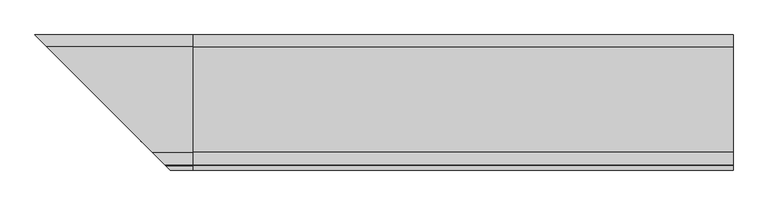
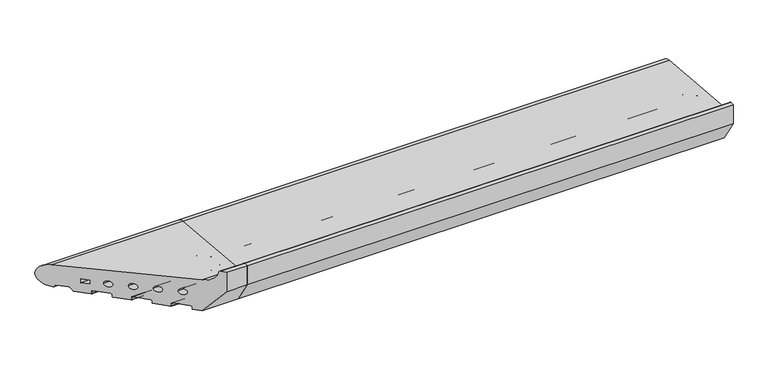
"""IFC4 building model written with IfcOpenShell, lengths in millimetres: proxy geometry."""

import ifcopenshell
import ifcopenshell.guid

model = None  # the IFC model being written
_history = None  # IfcOwnerHistory: only IFC2X3 demands one
_inside = {}  # id of a spatial element -> (the spatial element, [elements in it])
_under = {}  # id of a project, library or spatial element -> (it, [spatial elements below it])
_declared = {}  # id of a project -> (the project, [libraries it declares])
_typed = {}  # id of a type object -> (the type object, [elements of that type])
_made_of = {}  # id of a material, layer set ... -> (it, [elements and type objects made of it])


def new_model(schema):
    """Start an empty IFC model of exactly this schema.

    Asked for "IFC4X3", IfcOpenShell would pick the latest addendum, in which some entities
    have other attributes; the version numbers below select the first issue.
    IFC2X3 requires an IfcOwnerHistory on every rooted entity: one is made here for all.
    """
    global model, _history
    if schema == "IFC4X3":
        model = ifcopenshell.file(schema_version=(4, 3, 0, 0))
    else:
        model = ifcopenshell.file(schema=schema)
    _inside.clear()
    _under.clear()
    _declared.clear()
    _typed.clear()
    _made_of.clear()
    _history = None
    if model.schema == "IFC2X3":
        org = make("IfcOrganization", Name="unknown")
        user = make(
            "IfcPersonAndOrganization",
            ThePerson=make("IfcPerson", FamilyName="unknown"),
            TheOrganization=org,
        )
        app = make(
            "IfcApplication",
            ApplicationDeveloper=org,
            Version="unknown",
            ApplicationFullName="unknown",
            ApplicationIdentifier="unknown",
        )
        _history = make(
            "IfcOwnerHistory",
            OwningUser=user,
            OwningApplication=app,
            ChangeAction="ADDED",
            CreationDate=0,
        )
    return model


def make(cls, **values):
    """One entity of the class cls with the attributes given. An attribute that is None is left unset."""
    return model.create_entity(
        cls, **{name: value for name, value in values.items() if value is not None}
    )


def rooted(cls, **values):
    """An entity with a GlobalId (a new one), such as an element, a storey or a relation."""
    return make(cls, GlobalId=ifcopenshell.guid.new(), OwnerHistory=_history, **values)


def si_unit(unit_type, name, prefix=None):
    """IfcSIUnit, for example si_unit("LENGTHUNIT", "METRE", prefix="MILLI")."""
    return make("IfcSIUnit", UnitType=unit_type, Prefix=prefix, Name=name)


def assignment(units):
    """IfcUnitAssignment: the units of a project."""
    return None if units is None else make("IfcUnitAssignment", Units=units)


def point(xyz):
    """IfcCartesianPoint."""
    return None if xyz is None else make("IfcCartesianPoint", Coordinates=xyz)


def direction(xyz):
    """IfcDirection."""
    return None if xyz is None else make("IfcDirection", DirectionRatios=xyz)


def frame(location, z_axis=None, x_axis=None):
    """IfcAxis2Placement3D, a coordinate frame: its origin and axes. An axis left out is left unset."""
    return make(
        "IfcAxis2Placement3D",
        Location=point(location),
        Axis=direction(z_axis),
        RefDirection=direction(x_axis),
    )


def frame_2d(location, x_axis=None):
    """IfcAxis2Placement2D, a coordinate frame in the plane: its origin and x axis."""
    return make(
        "IfcAxis2Placement2D", Location=point(location), RefDirection=direction(x_axis)
    )


def origin():
    """The frame at (0, 0, 0) with its axes left unset."""
    return frame((0.0, 0.0, 0.0))


def place(relative_to, where):
    """IfcLocalPlacement: puts the frame where relative to a parent placement (None: the world)."""
    return make(
        "IfcLocalPlacement", PlacementRelTo=relative_to, RelativePlacement=where
    )


def context(
    kind, dimensions, precision=None, world=None, true_north=None, identifier=None
):
    """IfcGeometricRepresentationContext, for example the 3D "Model" context."""
    return make(
        "IfcGeometricRepresentationContext",
        ContextIdentifier=identifier,
        ContextType=kind,
        CoordinateSpaceDimension=dimensions,
        Precision=precision,
        WorldCoordinateSystem=world,
        TrueNorth=true_north,
    )


def project(units=None, contexts=None):
    """IfcProject with its units and contexts."""
    return rooted(
        "IfcProject",
        Name="project",
        RepresentationContexts=contexts,
        UnitsInContext=assignment(units),
    )


def spatial(cls, under=None, at=None, **own):
    """A site, building, storey or space (cls), placed at a placement, below another one or the project."""
    s = rooted(cls, ObjectPlacement=at, **own)
    if under is not None:
        _under.setdefault(under.id(), (under, []))[1].append(s)
    return s


def polyline(points):
    """IfcPolyline through the points."""
    return make("IfcPolyline", Points=[point(p) for p in points])


def circle_curve(where, radius):
    """IfcCircle in the frame where."""
    return make("IfcCircle", Position=where, Radius=radius)


def ellipse_curve(where, semi_axis1, semi_axis2):
    """IfcEllipse in the frame where."""
    return make(
        "IfcEllipse", Position=where, SemiAxis1=semi_axis1, SemiAxis2=semi_axis2
    )


def trimmed(basis, trim1, trim2, sense, master):
    """IfcTrimmedCurve: the piece of a basis curve between two trims."""
    return make(
        "IfcTrimmedCurve",
        BasisCurve=basis,
        Trim1=trim1,
        Trim2=trim2,
        SenseAgreement=sense,
        MasterRepresentation=master,
    )


def segment(curve, same_sense, transition):
    """IfcCompositeCurveSegment."""
    return make(
        "IfcCompositeCurveSegment",
        Transition=transition,
        SameSense=same_sense,
        ParentCurve=curve,
    )


def composite_curve(segments, self_intersect=None):
    """IfcCompositeCurve: segments joined end to end."""
    return make("IfcCompositeCurve", Segments=segments, SelfIntersect=self_intersect)


def outline(outer, holes=None, kind="AREA"):
    """IfcArbitraryClosedProfileDef: a profile drawn as a closed curve; with holes, ...WithVoids."""
    if holes is None:
        return make("IfcArbitraryClosedProfileDef", ProfileType=kind, OuterCurve=outer)
    return make(
        "IfcArbitraryProfileDefWithVoids",
        ProfileType=kind,
        OuterCurve=outer,
        InnerCurves=holes,
    )


def extrude(swept, where, along, depth):
    """IfcExtrudedAreaSolid: the profile swept, set in the frame where, extruded along a direction by depth."""
    return make(
        "IfcExtrudedAreaSolid",
        SweptArea=swept,
        Position=where,
        ExtrudedDirection=direction(along),
        Depth=depth,
    )


def shape(context_of_items, identifier, shape_type, items):
    """IfcShapeRepresentation: the items that make up one representation, for example the "Body"."""
    return make(
        "IfcShapeRepresentation",
        ContextOfItems=context_of_items,
        RepresentationIdentifier=identifier,
        RepresentationType=shape_type,
        Items=items,
    )


def source(mapping_origin, context_of_items, identifier, shape_type, items):
    """IfcRepresentationMap: a shape defined once, which mapped items show again and again."""
    return make(
        "IfcRepresentationMap",
        MappingOrigin=mapping_origin,
        MappedRepresentation=shape(context_of_items, identifier, shape_type, items),
    )


def transform(
    local_origin,
    x_axis=None,
    y_axis=None,
    z_axis=None,
    scale=None,
    scale2=None,
    scale3=None,
    uniform=True,
):
    """IfcCartesianTransformationOperator3D, or its non-uniform kind. x_axis, y_axis, z_axis: its Axis1, 2, 3."""
    if uniform:
        return make(
            "IfcCartesianTransformationOperator3D",
            Axis1=direction(x_axis),
            Axis2=direction(y_axis),
            LocalOrigin=point(local_origin),
            Scale=scale,
            Axis3=direction(z_axis),
        )
    return make(
        "IfcCartesianTransformationOperator3DnonUniform",
        Axis1=direction(x_axis),
        Axis2=direction(y_axis),
        LocalOrigin=point(local_origin),
        Scale=scale,
        Axis3=direction(z_axis),
        Scale2=scale2,
        Scale3=scale3,
    )


def mapped(mapping_source, mapping_target):
    """IfcMappedItem: shows the shape of a source again, moved by a transform."""
    return make(
        "IfcMappedItem", MappingSource=mapping_source, MappingTarget=mapping_target
    )


def made_of(thing, what):
    """Note that an element or type object is made of a material, layer set ...; save() writes the relation."""
    if what is not None:
        _made_of.setdefault(what.id(), (what, []))[1].append(thing)
    return thing


def element(
    cls,
    number,
    at=None,
    inside=None,
    cuts=None,
    type_object=None,
    material=None,
    context=None,
    identifier="Body",
    shape_type=None,
    held_by="IfcProductDefinitionShape",
    body=None,
    shapes=None,
    **own,
):
    """One element of the class cls, such as IfcWall. Its Tag is "e" and its number.

    at: its placement. inside: the storey or other place that contains it. cuts: it is an
    opening in that element (IfcRelVoidsElement). A single representation is given by context,
    identifier, shape_type and body (its items); several are given by shapes. held_by: the class
    of the entity that holds the representations. save() writes the other relations.
    """
    e = rooted(cls, Tag="e%d" % number, ObjectPlacement=at, **own)
    if body is not None:
        shapes = [shape(context, identifier, shape_type, body)]
    if shapes is not None:
        e.Representation = make(held_by, Representations=shapes)
    if inside is not None:
        _inside.setdefault(inside.id(), (inside, []))[1].append(e)
    if cuts is not None:
        rooted(
            "IfcRelVoidsElement", RelatingBuildingElement=cuts, RelatedOpeningElement=e
        )
    if type_object is not None:
        _typed.setdefault(type_object.id(), (type_object, []))[1].append(e)
    return made_of(e, material)


def aggregate(whole, parts):
    """IfcRelAggregates: a whole, such as a stair, and the parts it consists of."""
    return rooted("IfcRelAggregates", RelatingObject=whole, RelatedObjects=parts)


def save(model, path):
    """Write the relations noted so far, then the file.

    IfcRelAggregates (storeys below a building ...), IfcRelContainedInSpatialStructure (elements
    in a storey), IfcRelDefinesByType, IfcRelAssociatesMaterial and IfcRelDeclares: one each for
    every whole, place, type object, material and project.
    """
    for whole, parts in _under.values():
        aggregate(whole, parts)
    for where, things in _inside.values():
        rooted(
            "IfcRelContainedInSpatialStructure",
            RelatedElements=things,
            RelatingStructure=where,
        )
    for kind, things in _typed.values():
        rooted("IfcRelDefinesByType", RelatedObjects=things, RelatingType=kind)
    for what, things in _made_of.values():
        rooted("IfcRelAssociatesMaterial", RelatedObjects=things, RelatingMaterial=what)
    for by, libraries in _declared.values():
        rooted("IfcRelDeclares", RelatingContext=by, RelatedDefinitions=libraries)
    model.write(path)


def plane_surface(at):
    """IfcPlane: the flat surface through the origin of the frame at, square to its z axis."""
    return make("IfcPlane", Position=at)


def cylinder_surface(at, radius):
    """IfcCylindricalSurface: all points at the distance radius from the z axis of the frame at."""
    return make("IfcCylindricalSurface", Position=at, Radius=radius)


def revolved_surface(curve, axis_point, axis_direction):
    """IfcSurfaceOfRevolution: the curve turned about the line through axis_point along axis_direction."""
    return make(
        "IfcSurfaceOfRevolution",
        SweptCurve=make("IfcArbitraryOpenProfileDef", ProfileType="CURVE", Curve=curve),
        AxisPosition=make("IfcAxis1Placement", Location=point(axis_point), Axis=direction(axis_direction)),
    )


def advanced_brep(points, edges, surfaces, faces):
    """IfcAdvancedBrep: a solid bounded by faces that lie on surfaces and meet in shared edges.

    An edge is (start, end): straight between two places in points (the first is 0);
    or (start, end, curve); or (start, end, curve, False) where it runs against its curve.
    A face is (place in surfaces, loops), or (place, loops, False) where it looks against
    its surface's normal. A loop lists edges by number (the first is 1), with a minus sign
    where the edge is run from its end to its start. The first loop is the outer one.
    """
    corners = [point(p) for p in points]
    vertices = [make("IfcVertexPoint", VertexGeometry=c) for c in corners]
    made = []
    for start, end, *more in edges:
        made.append(
            make(
                "IfcEdgeCurve",
                EdgeStart=vertices[start],
                EdgeEnd=vertices[end],
                EdgeGeometry=more[0] if more else make("IfcPolyline", Points=[corners[start], corners[end]]),
                SameSense=more[1] if len(more) > 1 else True,
            )
        )
    hull = []
    for where, loops, *sense in faces:
        bounds = []
        for j, loop in enumerate(loops):
            ring = [make("IfcOrientedEdge", EdgeElement=made[abs(k) - 1], Orientation=k > 0) for k in loop]
            bounds.append(
                make(
                    "IfcFaceOuterBound" if j == 0 else "IfcFaceBound",
                    Bound=make("IfcEdgeLoop", EdgeList=ring),
                    Orientation=True,
                )
            )
        hull.append(make("IfcAdvancedFace", Bounds=bounds, FaceSurface=surfaces[where], SameSense=sense[0] if sense else True))
    return make("IfcAdvancedBrep", Outer=make("IfcClosedShell", CfsFaces=hull))


def generic_models_a9060ce3(model_context):
    return source(origin(), model_context, "Body", "SolidModel", [
        advanced_brep(
        [(0.0, 28.0858073, 50.4091909), (0.0, -167.5409218, 67.4754175), (0.0, -189.9303588, 90.1294924), (0.0, -191.9246962, 91.9790981), (0.0, -200.0, 91.9790981), (0.0, -200.0, 50.0), (0.0, -168.0, 0.0), (0.0, -156.0, 0.0), (0.0, -155.0, 1.0), (0.0, -155.0, 5.5), (0.0, -153.0, 7.5), (0.0, -130.0, 7.5), (0.0, -128.0, 5.5), (0.0, -128.0, 1.0), (0.0, -127.0, 0.0), (0.0, -104.0, 0.0), (0.0, -103.0, 1.0), (0.0, -103.0, 5.5), (0.0, -101.0, 7.5), (0.0, -78.0, 7.5), (0.0, -76.0, 5.5), (0.0, -76.0, 1.0), (0.0, -75.0, 0.0), (0.0, -52.0, 0.0), (0.0, -51.0, 1.0), (0.0, -51.0, 5.5), (0.0, -49.0, 7.5), (0.0, -26.0, 7.5), (0.0, -24.0, 5.5), (0.0, -24.0, 1.0), (0.0, -23.0, 0.0), (0.0, -0.5773503, 0.0), (0.0, 0.2886751, 0.5), (0.0, 3.7527767, 6.5), (0.0, 5.4848276, 7.5), (0.0, 21.9585481, 7.5), (0.0, 23.6905989, 6.5), (0.0, 25.7072001, 3.0071443), (0.0, 26.5981483, 2.5074549), (0.0, -21.5, 20.9289), (0.0, -21.5, 28.9289), (0.0, -9.5, 28.9289), (0.0, -9.5, 20.9289), (0.0, -39.5, 27.333), (0.0, -51.5, 27.333), (0.0, -72.0, 30.0), (0.0, -84.0, 30.0), (0.0, -104.5, 32.667), (0.0, -116.5, 32.667), (0.0, -137.0, 35.334), (0.0, -149.0, 35.334), (-270.0858073, 28.0858073, 50.4091909), (-74.4590782, -167.5409218, 67.4754175), (-52.0696412, -189.9303588, 90.1294924), (-50.0753038, -191.9246962, 91.9790981), (-42.0, -200.0, 91.9790981), (-42.0, -200.0, 50.0), (-74.0, -168.0, 0.0), (-86.0, -156.0, 0.0), (-87.0, -155.0, 1.0), (-87.0, -155.0, 5.5), (-89.0, -153.0, 7.5), (-112.0, -130.0, 7.5), (-114.0, -128.0, 5.5), (-114.0, -128.0, 1.0), (-115.0, -127.0, 0.0), (-138.0, -104.0, 0.0), (-139.0, -103.0, 1.0), (-139.0, -103.0, 5.5), (-141.0, -101.0, 7.5), (-164.0, -78.0, 7.5), (-166.0, -76.0, 5.5), (-166.0, -76.0, 1.0), (-167.0, -75.0, 0.0), (-190.0, -52.0, 0.0), (-191.0, -51.0, 1.0), (-191.0, -51.0, 5.5), (-193.0, -49.0, 7.5), (-216.0, -26.0, 7.5), (-218.0, -24.0, 5.5), (-218.0, -24.0, 1.0), (-219.0, -23.0, 0.0), (-241.4226497, -0.5773503, 0.0), (-242.2886751, 0.2886751, 0.5), (-245.7527767, 3.7527767, 6.5), (-247.4848276, 5.4848276, 7.5), (-263.9585481, 21.9585481, 7.5), (-265.6905989, 23.6905989, 6.5), (-267.7072001, 25.7072001, 3.0071443), (-268.5981483, 26.5981483, 2.5074549), (-292.0, 50.0, 26.5), (-220.5, -21.5, 20.9289), (-220.5, -21.5, 28.9289), (-232.5, -9.5, 28.9289), (-232.5, -9.5, 20.9289), (-202.5, -39.5, 27.333), (-190.5, -51.5, 27.333), (-170.0, -72.0, 30.0), (-158.0, -84.0, 30.0), (-137.5, -104.5, 32.667), (-125.5, -116.5, 32.667), (-105.0, -137.0, 35.334), (-93.0, -149.0, 35.334)],
        [
            (0, 1),
            (1, 2, circle_curve(frame((0.0, -165.4032519, 91.9790985), z_axis=(-1.0, 0.0, 0.0), x_axis=(0.0, -0.08690863944627705, -0.9962162859487879)), 24.5967481)),
            (2, 3, circle_curve(frame((0.0, -191.9246962, 89.9790981), z_axis=(1.0, 0.0, 0.0), x_axis=(0.0, 0.9971686839008461, 0.07519717978391492)), 2.0)),
            (3, 4),
            (4, 5),
            (5, 6),
            (6, 7),
            (7, 8, circle_curve(frame((0.0, -156.0, 1.0), z_axis=(1.0, 0.0, 0.0), x_axis=(0.0, 1.0, 0.0)), 1.0)),
            (8, 9),
            (9, 10, circle_curve(frame((0.0, -153.0, 5.5), z_axis=(-1.0, 0.0, 0.0), x_axis=(0.0, -1.0, 0.0)), 2.0)),
            (10, 11),
            (11, 12, circle_curve(frame((0.0, -130.0, 5.5), z_axis=(-1.0, 0.0, 0.0), x_axis=(0.0, 0.0, 1.0)), 2.0)),
            (12, 13),
            (13, 14, circle_curve(frame((0.0, -127.0, 1.0), z_axis=(1.0, 0.0, 0.0), x_axis=(0.0, -1.0, 0.0)), 1.0)),
            (14, 15),
            (15, 16, circle_curve(frame((0.0, -104.0, 1.0), z_axis=(1.0, 0.0, 0.0), x_axis=(0.0, 0.0, -1.0)), 1.0)),
            (16, 17),
            (17, 18, circle_curve(frame((0.0, -101.0, 5.5), z_axis=(-1.0, 0.0, 0.0), x_axis=(0.0, -1.0, 0.0)), 2.0)),
            (18, 19),
            (19, 20, circle_curve(frame((0.0, -78.0, 5.5), z_axis=(-1.0, 0.0, 0.0), x_axis=(0.0, 0.0, 1.0)), 2.0)),
            (20, 21),
            (21, 22, circle_curve(frame((0.0, -75.0, 1.0), z_axis=(1.0, 0.0, 0.0), x_axis=(0.0, -1.0, 0.0)), 1.0)),
            (22, 23),
            (23, 24, circle_curve(frame((0.0, -52.0, 1.0), z_axis=(1.0, 0.0, 0.0), x_axis=(0.0, 0.0, -1.0)), 1.0)),
            (24, 25),
            (25, 26, circle_curve(frame((0.0, -49.0, 5.5), z_axis=(-1.0, 0.0, 0.0), x_axis=(0.0, -1.0, 0.0)), 2.0)),
            (26, 27),
            (27, 28, circle_curve(frame((0.0, -26.0, 5.5), z_axis=(-1.0, 0.0, 0.0), x_axis=(0.0, 0.0, 1.0)), 2.0)),
            (28, 29),
            (29, 30, circle_curve(frame((0.0, -23.0, 1.0), z_axis=(1.0, 0.0, 0.0), x_axis=(0.0, -1.0, 0.0)), 1.0)),
            (30, 31),
            (31, 32, circle_curve(frame((0.0, -0.5773503, 1.0), z_axis=(1.0, 0.0, 0.0), x_axis=(0.0, 0.0, -1.0)), 1.0)),
            (32, 33),
            (33, 34, circle_curve(frame((0.0, 5.4848276, 5.5), z_axis=(-1.0, 0.0, 0.0), x_axis=(0.0, -0.8660254037844424, 0.4999999999999936)), 2.0)),
            (34, 35),
            (35, 36, circle_curve(frame((0.0, 21.9585481, 5.5), z_axis=(-1.0, 0.0, 0.0), x_axis=(0.0, 0.0, 1.0)), 2.0)),
            (36, 37),
            (37, 38, circle_curve(frame((0.0, 26.5732255, 3.5071443), z_axis=(1.0, 0.0, 0.0), x_axis=(0.0, -0.8660254037844268, -0.5000000000000207)), 1.0)),
            (38, 0, circle_curve(frame((0.0, 26.0, 26.5), z_axis=(1.0, 0.0, 0.0), x_axis=(0.0, 0.02492284768405477, -0.9996893775885175)), 24.0)),
            (39, 40),
            (40, 41),
            (41, 42),
            (42, 39),
            (43, 44, circle_curve(frame((0.0, -45.5, 27.333), z_axis=(-1.0, 0.0, 0.0), x_axis=(0.0, -1.0, 0.0)), 6.0)),
            (44, 43, circle_curve(frame((0.0, -45.5, 27.333), z_axis=(-1.0, 0.0, 0.0), x_axis=(0.0, -1.0, 0.0)), 6.0)),
            (45, 46, circle_curve(frame((0.0, -78.0, 30.0), z_axis=(-1.0, 0.0, 0.0), x_axis=(0.0, -1.0, 0.0)), 6.0)),
            (46, 45, circle_curve(frame((0.0, -78.0, 30.0), z_axis=(-1.0, 0.0, 0.0), x_axis=(0.0, -1.0, 0.0)), 6.0)),
            (47, 48, circle_curve(frame((0.0, -110.5, 32.667), z_axis=(-1.0, 0.0, 0.0), x_axis=(0.0, -1.0, 0.0)), 6.0)),
            (48, 47, circle_curve(frame((0.0, -110.5, 32.667), z_axis=(-1.0, 0.0, 0.0), x_axis=(0.0, -1.0, 0.0)), 6.0)),
            (49, 50, circle_curve(frame((0.0, -143.0, 35.334), z_axis=(-1.0, 0.0, 0.0), x_axis=(0.0, -1.0, 0.0)), 6.0)),
            (50, 49, circle_curve(frame((0.0, -143.0, 35.334), z_axis=(-1.0, 0.0, 0.0), x_axis=(0.0, -1.0, 0.0)), 6.0)),
            (0, 51),
            (51, 52),
            (52, 1),
            (52, 53, ellipse_curve(frame((-76.5967481, -165.4032519, 91.9790985), z_axis=(-0.7071067811865481, -0.707106781186547, 0.0), x_axis=(0.7071067811865468, -0.7071067811865481, 0.0)), 34.7850548, 24.5967481)),
            (53, 2),
            (53, 54, ellipse_curve(frame((-50.0753038, -191.9246962, 89.9790981), z_axis=(0.7071067811865481, 0.707106781186547, 0.0), x_axis=(-0.7071067811865468, 0.7071067811865481, 0.0)), 2.8284271, 2.0)),
            (54, 3),
            (54, 55),
            (55, 4),
            (5, 56),
            (56, 57),
            (57, 6),
            (57, 58),
            (58, 7),
            (58, 59, ellipse_curve(frame((-86.0, -156.0, 1.0), z_axis=(0.7071067811865481, 0.707106781186547, 0.0), x_axis=(-0.7071067811865468, 0.7071067811865481, 0.0)), 1.4142136, 1.0)),
            (59, 8),
            (59, 60),
            (60, 9),
            (60, 61, ellipse_curve(frame((-89.0, -153.0, 5.5), z_axis=(-0.7071067811865481, -0.707106781186547, 0.0), x_axis=(0.7071067811865468, -0.7071067811865481, 0.0)), 2.8284271, 2.0)),
            (61, 10),
            (61, 62),
            (62, 11),
            (62, 63, ellipse_curve(frame((-112.0, -130.0, 5.5), z_axis=(-0.7071067811865481, -0.707106781186547, 0.0), x_axis=(0.7071067811865468, -0.7071067811865481, 0.0)), 2.8284271, 2.0)),
            (63, 12),
            (63, 64),
            (64, 13),
            (64, 65, ellipse_curve(frame((-115.0, -127.0, 1.0), z_axis=(0.7071067811865481, 0.707106781186547, 0.0), x_axis=(-0.7071067811865468, 0.7071067811865481, 0.0)), 1.4142136, 1.0)),
            (65, 14),
            (65, 66),
            (66, 15),
            (66, 67, ellipse_curve(frame((-138.0, -104.0, 1.0), z_axis=(0.7071067811865481, 0.707106781186547, 0.0), x_axis=(-0.7071067811865468, 0.7071067811865481, 0.0)), 1.4142136, 1.0)),
            (67, 16),
            (67, 68),
            (68, 17),
            (68, 69, ellipse_curve(frame((-141.0, -101.0, 5.5), z_axis=(-0.7071067811865481, -0.707106781186547, 0.0), x_axis=(0.7071067811865468, -0.7071067811865481, 0.0)), 2.8284271, 2.0)),
            (69, 18),
            (69, 70),
            (70, 19),
            (70, 71, ellipse_curve(frame((-164.0, -78.0, 5.5), z_axis=(-0.7071067811865481, -0.707106781186547, 0.0), x_axis=(0.7071067811865468, -0.7071067811865481, 0.0)), 2.8284271, 2.0)),
            (71, 20),
            (71, 72),
            (72, 21),
            (72, 73, ellipse_curve(frame((-167.0, -75.0, 1.0), z_axis=(0.7071067811865481, 0.707106781186547, 0.0), x_axis=(-0.7071067811865468, 0.7071067811865481, 0.0)), 1.4142136, 1.0)),
            (73, 22),
            (73, 74),
            (74, 23),
            (74, 75, ellipse_curve(frame((-190.0, -52.0, 1.0), z_axis=(0.7071067811865481, 0.707106781186547, 0.0), x_axis=(-0.7071067811865468, 0.7071067811865481, 0.0)), 1.4142136, 1.0)),
            (75, 24),
            (75, 76),
            (76, 25),
            (76, 77, ellipse_curve(frame((-193.0, -49.0, 5.5), z_axis=(-0.7071067811865481, -0.707106781186547, 0.0), x_axis=(0.7071067811865468, -0.7071067811865481, 0.0)), 2.8284271, 2.0)),
            (77, 26),
            (77, 78),
            (78, 27),
            (78, 79, ellipse_curve(frame((-216.0, -26.0, 5.5), z_axis=(-0.7071067811865481, -0.707106781186547, 0.0), x_axis=(0.7071067811865468, -0.7071067811865481, 0.0)), 2.8284271, 2.0)),
            (79, 28),
            (79, 80),
            (80, 29),
            (80, 81, ellipse_curve(frame((-219.0, -23.0, 1.0), z_axis=(0.7071067811865481, 0.707106781186547, 0.0), x_axis=(-0.7071067811865468, 0.7071067811865481, 0.0)), 1.4142136, 1.0)),
            (81, 30),
            (81, 82),
            (82, 31),
            (82, 83, ellipse_curve(frame((-241.4226497, -0.5773503, 1.0), z_axis=(0.7071067811865481, 0.707106781186547, 0.0), x_axis=(-0.7071067811865468, 0.7071067811865481, 0.0)), 1.4142136, 1.0)),
            (83, 32),
            (83, 84),
            (84, 33),
            (84, 85, ellipse_curve(frame((-247.4848276, 5.4848276, 5.5), z_axis=(-0.7071067811865481, -0.707106781186547, 0.0), x_axis=(0.7071067811865468, -0.7071067811865481, 0.0)), 2.8284271, 2.0)),
            (85, 34),
            (85, 86),
            (86, 35),
            (86, 87, ellipse_curve(frame((-263.9585481, 21.9585481, 5.5), z_axis=(-0.7071067811865481, -0.707106781186547, 0.0), x_axis=(0.7071067811865468, -0.7071067811865481, 0.0)), 2.8284271, 2.0)),
            (87, 36),
            (87, 88),
            (88, 37),
            (88, 89, ellipse_curve(frame((-268.5732255, 26.5732255, 3.5071443), z_axis=(0.7071067811865481, 0.707106781186547, 0.0), x_axis=(-0.7071067811865468, 0.7071067811865481, 0.0)), 1.4142136, 1.0)),
            (89, 38),
            (89, 90, ellipse_curve(frame((-268.0, 26.0, 26.5), z_axis=(0.7071067811865481, 0.707106781186547, 0.0), x_axis=(-0.7071067811865468, 0.7071067811865481, 0.0)), 33.9411255, 24.0)),
            (90, 51, ellipse_curve(frame((-268.0, 26.0, 26.5), z_axis=(0.7071067811865481, 0.707106781186547, 0.0), x_axis=(-0.7071067811865468, 0.7071067811865481, 0.0)), 33.9411255, 24.0)),
            (39, 91),
            (91, 92),
            (92, 40),
            (92, 93),
            (93, 41),
            (93, 94),
            (94, 42),
            (94, 91),
            (43, 95),
            (95, 96, ellipse_curve(frame((-196.5, -45.5, 27.333), z_axis=(-0.7071067811865481, -0.707106781186547, 0.0), x_axis=(0.7071067811865468, -0.7071067811865481, 0.0)), 8.4852814, 6.0)),
            (96, 44),
            (96, 95, ellipse_curve(frame((-196.5, -45.5, 27.333), z_axis=(-0.7071067811865481, -0.707106781186547, 0.0), x_axis=(0.7071067811865468, -0.7071067811865481, 0.0)), 8.4852814, 6.0)),
            (45, 97),
            (97, 98, ellipse_curve(frame((-164.0, -78.0, 30.0), z_axis=(-0.7071067811865481, -0.707106781186547, 0.0), x_axis=(0.7071067811865468, -0.7071067811865481, 0.0)), 8.4852814, 6.0)),
            (98, 46),
            (98, 97, ellipse_curve(frame((-164.0, -78.0, 30.0), z_axis=(-0.7071067811865481, -0.707106781186547, 0.0), x_axis=(0.7071067811865468, -0.7071067811865481, 0.0)), 8.4852814, 6.0)),
            (47, 99),
            (99, 100, ellipse_curve(frame((-131.5, -110.5, 32.667), z_axis=(-0.7071067811865481, -0.707106781186547, 0.0), x_axis=(0.7071067811865468, -0.7071067811865481, 0.0)), 8.4852814, 6.0)),
            (100, 48),
            (100, 99, ellipse_curve(frame((-131.5, -110.5, 32.667), z_axis=(-0.7071067811865481, -0.707106781186547, 0.0), x_axis=(0.7071067811865468, -0.7071067811865481, 0.0)), 8.4852814, 6.0)),
            (49, 101),
            (101, 102, ellipse_curve(frame((-99.0, -143.0, 35.334), z_axis=(-0.7071067811865481, -0.707106781186547, 0.0), x_axis=(0.7071067811865468, -0.7071067811865481, 0.0)), 8.4852814, 6.0)),
            (102, 50),
            (102, 101, ellipse_curve(frame((-99.0, -143.0, 35.334), z_axis=(-0.7071067811865481, -0.707106781186547, 0.0), x_axis=(0.7071067811865468, -0.7071067811865481, 0.0)), 8.4852814, 6.0)),
            (56, 55),
        ],
        [
            plane_surface(frame((0.0, 0.0, 0.0), z_axis=(1.0, 0.0, 0.0), x_axis=(0.0, 0.0, 1.0))),
            plane_surface(frame((-292.0, -167.5409218, 67.4754175), z_axis=(0.0, 0.08690863944627716, 0.9962162859487879), x_axis=(1.0, 0.0, 0.0))),
            revolved_surface(polyline([(0.0, -167.5409218121738, 67.4754174614001), (-101.19349623302566, -167.5409218121738, 67.4754174614001)]), (-292.0, -165.4032519, 91.9790985), (1.0, 0.0, 0.0)),
            cylinder_surface(frame((-292.0, -191.9246962, 89.9790981), z_axis=(-1.0, 0.0, 0.0), x_axis=(0.0, 0.9971686839008461, 0.07519717978391492)), 2.0),
            plane_surface(frame((-292.0, -200.0, 91.9790981), z_axis=(0.0, 0.0, 1.0), x_axis=(1.0, 0.0, 0.0))),
            plane_surface(frame((-292.0, -168.0, 0.0), z_axis=(0.0, -0.8422714006615114, -0.5390536964233673), x_axis=(1.0, 0.0, 0.0))),
            plane_surface(frame((-292.0, -156.0, 0.0), z_axis=(0.0, 0.0, -1.0), x_axis=(1.0, 0.0, 0.0))),
            cylinder_surface(frame((-292.0, -156.0, 1.0), z_axis=(-1.0, 0.0, 0.0), x_axis=(0.0, 1.0, 0.0)), 1.0),
            plane_surface(frame((-292.0, -155.0, 5.5), z_axis=(0.0, 1.0, 0.0), x_axis=(1.0, 0.0, 0.0))),
            revolved_surface(polyline([(0.0, -155.0, 5.5), (-90.9999999825018, -155.0, 5.5)]), (-292.0, -153.0, 5.5), (1.0, 0.0, 0.0)),
            plane_surface(frame((-292.0, -130.0, 7.5), z_axis=(0.0, 0.0, -1.0), x_axis=(1.0, 0.0, 0.0))),
            revolved_surface(polyline([(0.0, -130.0, 7.5), (-114.0, -130.0, 7.5)]), (-292.0, -130.0, 5.5), (1.0, 0.0, 0.0)),
            plane_surface(frame((-292.0, -128.0, 1.0), z_axis=(0.0, -1.0, 0.0), x_axis=(1.0, 0.0, 0.0))),
            cylinder_surface(frame((-292.0, -127.0, 1.0), z_axis=(-1.0, 0.0, 0.0), x_axis=(0.0, -1.0, 0.0)), 1.0),
            plane_surface(frame((-292.0, -104.0, 0.0), z_axis=(0.0, 0.0, -1.0), x_axis=(1.0, 0.0, 0.0))),
            cylinder_surface(frame((-292.0, -104.0, 1.0), z_axis=(-1.0, 0.0, 0.0), x_axis=(0.0, 0.0, -1.0)), 1.0),
            plane_surface(frame((-292.0, -103.0, 5.5), z_axis=(0.0, 1.0, 0.0), x_axis=(1.0, 0.0, 0.0))),
            revolved_surface(polyline([(0.0, -103.0, 5.5), (-142.9999999825018, -103.0, 5.5)]), (-292.0, -101.0, 5.5), (1.0, 0.0, 0.0)),
            plane_surface(frame((-292.0, -78.0, 7.5), z_axis=(0.0, 0.0, -1.0), x_axis=(1.0, 0.0, 0.0))),
            revolved_surface(polyline([(0.0, -78.0, 7.5), (-166.0, -78.0, 7.5)]), (-292.0, -78.0, 5.5), (1.0, 0.0, 0.0)),
            plane_surface(frame((-292.0, -76.0, 1.0), z_axis=(0.0, -1.0, 0.0), x_axis=(1.0, 0.0, 0.0))),
            cylinder_surface(frame((-292.0, -75.0, 1.0), z_axis=(-1.0, 0.0, 0.0), x_axis=(0.0, -1.0, 0.0)), 1.0),
            plane_surface(frame((-292.0, -52.0, 0.0), z_axis=(0.0, 0.0, -1.0), x_axis=(1.0, 0.0, 0.0))),
            cylinder_surface(frame((-292.0, -52.0, 1.0), z_axis=(-1.0, 0.0, 0.0), x_axis=(0.0, 0.0, -1.0)), 1.0),
            plane_surface(frame((-292.0, -51.0, 5.5), z_axis=(0.0, 1.0, 0.0), x_axis=(1.0, 0.0, 0.0))),
            revolved_surface(polyline([(0.0, -51.0, 5.5), (-194.9999999825018, -51.0, 5.5)]), (-292.0, -49.0, 5.5), (1.0, 0.0, 0.0)),
            plane_surface(frame((-292.0, -26.0, 7.5), z_axis=(0.0, 0.0, -1.0), x_axis=(1.0, 0.0, 0.0))),
            revolved_surface(polyline([(0.0, -26.0, 7.5), (-218.0, -26.0, 7.5)]), (-292.0, -26.0, 5.5), (1.0, 0.0, 0.0)),
            plane_surface(frame((-292.0, -24.0, 1.0), z_axis=(0.0, -1.0, 0.0), x_axis=(1.0, 0.0, 0.0))),
            cylinder_surface(frame((-292.0, -23.0, 1.0), z_axis=(-1.0, 0.0, 0.0), x_axis=(0.0, -1.0, 0.0)), 1.0),
            plane_surface(frame((-292.0, -0.5773503, 0.0), z_axis=(0.0, 0.0, -1.0), x_axis=(1.0, 0.0, 0.0))),
            cylinder_surface(frame((-292.0, -0.5773503, 1.0), z_axis=(-1.0, 0.0, 0.0), x_axis=(0.0, 0.0, -1.0)), 1.0),
            plane_surface(frame((-292.0, 3.7527767, 6.5), z_axis=(0.0, 0.8660254037844367, -0.5000000000000034), x_axis=(1.0, 0.0, 0.0))),
            revolved_surface(polyline([(0.0, 3.7527767924311153, 6.499999999999988), (-249.4848275825018, 3.7527767924311153, 6.499999999999988)]), (-292.0, 5.4848276, 5.5), (1.0, 0.0, 0.0)),
            plane_surface(frame((-292.0, 21.9585481, 7.5), z_axis=(0.0, 0.0, -1.0), x_axis=(1.0, 0.0, 0.0))),
            revolved_surface(polyline([(0.0, 21.9585481, 7.5), (-265.95854808250175, 21.9585481, 7.5)]), (-292.0, 21.9585481, 5.5), (1.0, 0.0, 0.0)),
            plane_surface(frame((-292.0, 25.7072001, 3.0071443), z_axis=(0.0, -0.8660254037844396, -0.4999999999999985), x_axis=(1.0, 0.0, 0.0))),
            cylinder_surface(frame((-292.0, 26.5732255, 3.5071443), z_axis=(-1.0000000000000002, 0.0, 0.0), x_axis=(0.0, -0.8660254037844268, -0.5000000000000207)), 1.0),
            cylinder_surface(frame((-292.0, 26.0, 26.5), z_axis=(-1.0000000000000002, 0.0, 0.0), x_axis=(0.0, 0.02492284768405477, -0.9996893775885175)), 24.0),
            plane_surface(frame((-292.0, -21.5, 28.9289), z_axis=(0.0, 1.0, 0.0), x_axis=(1.0, 0.0, 0.0))),
            plane_surface(frame((-292.0, -9.5, 28.9289), z_axis=(0.0, 0.0, -1.0), x_axis=(1.0, 0.0, 0.0))),
            plane_surface(frame((-292.0, -9.5, 20.9289), z_axis=(0.0, -1.0, 0.0), x_axis=(1.0, 0.0, 0.0))),
            plane_surface(frame((-292.0, -21.5, 20.9289), z_axis=(0.0, 0.0, 1.0), x_axis=(1.0, 0.0, 0.0))),
            revolved_surface(polyline([(0.0, -51.5, 27.333), (-202.50000001821607, -51.5, 27.333)]), (-292.0, -45.5, 27.333), (1.0, 0.0, 0.0)),
            revolved_surface(polyline([(0.0, -84.0, 30.0), (-170.00000001821607, -84.0, 30.0)]), (-292.0, -78.0, 30.0), (1.0, 0.0, 0.0)),
            revolved_surface(polyline([(0.0, -116.5, 32.667), (-137.50000001821607, -116.5, 32.667)]), (-292.0, -110.5, 32.667), (1.0, 0.0, 0.0)),
            revolved_surface(polyline([(0.0, -149.0, 35.334), (-105.00000001821607, -149.0, 35.334)]), (-292.0, -143.0, 35.334), (1.0, 0.0, 0.0)),
            plane_surface(frame((-207.0, -35.0, 0.0), z_axis=(-0.7071067811865481, -0.707106781186547, 0.0), x_axis=(0.0, 0.0, 1.0))),
            plane_surface(frame((-292.0, -200.0, 50.0), z_axis=(0.0, -1.0, 0.0), x_axis=(1.0, 0.0, 0.0))),
        ],
        [
            (0, [[1, 2, 3, 4, 5, 6, 7, 8, 9, 10, 11, 12, 13, 14, 15, 16, 17, 18, 19, 20, 21, 22, 23, 24, 25, 26, 27, 28, 29, 30, 31, 32, 33, 34, 35, 36, 37, 38, 39], [40, 41, 42, 43], [44, 45], [46, 47], [48, 49], [50, 51]]),
            (1, [[-1, 52, 53, 54]]),
            (2, [[-2, -54, 55, 56]]),
            (3, [[-3, -56, 57, 58]]),
            (4, [[-4, -58, 59, 60]]),
            (5, [[-6, 61, 62, 63]]),
            (6, [[-7, -63, 64, 65]]),
            (7, [[-8, -65, 66, 67]]),
            (8, [[-9, -67, 68, 69]]),
            (9, [[-10, -69, 70, 71]]),
            (10, [[-11, -71, 72, 73]]),
            (11, [[-12, -73, 74, 75]]),
            (12, [[-13, -75, 76, 77]]),
            (13, [[-14, -77, 78, 79]]),
            (14, [[-15, -79, 80, 81]]),
            (15, [[-16, -81, 82, 83]]),
            (16, [[-17, -83, 84, 85]]),
            (17, [[-18, -85, 86, 87]]),
            (18, [[-19, -87, 88, 89]]),
            (19, [[-20, -89, 90, 91]]),
            (20, [[-21, -91, 92, 93]]),
            (21, [[-22, -93, 94, 95]]),
            (22, [[-23, -95, 96, 97]]),
            (23, [[-24, -97, 98, 99]]),
            (24, [[-25, -99, 100, 101]]),
            (25, [[-26, -101, 102, 103]]),
            (26, [[-27, -103, 104, 105]]),
            (27, [[-28, -105, 106, 107]]),
            (28, [[-29, -107, 108, 109]]),
            (29, [[-30, -109, 110, 111]]),
            (30, [[-31, -111, 112, 113]]),
            (31, [[-32, -113, 114, 115]]),
            (32, [[-33, -115, 116, 117]]),
            (33, [[-34, -117, 118, 119]]),
            (34, [[-35, -119, 120, 121]]),
            (35, [[-36, -121, 122, 123]]),
            (36, [[-37, -123, 124, 125]]),
            (37, [[-38, -125, 126, 127]]),
            (38, [[-39, -127, 128, 129, -52]]),
            (39, [[-40, 130, 131, 132]]),
            (40, [[-41, -132, 133, 134]]),
            (41, [[-42, -134, 135, 136]]),
            (42, [[-43, -136, 137, -130]]),
            (43, [[-44, 138, 139, 140]]),
            (43, [[-45, -140, 141, -138]]),
            (44, [[-46, 142, 143, 144]]),
            (44, [[-47, -144, 145, -142]]),
            (45, [[-48, 146, 147, 148]]),
            (45, [[-49, -148, 149, -146]]),
            (46, [[-50, 150, 151, 152]]),
            (46, [[-51, -152, 153, -150]]),
            (47, [[-53, -129, -128, -126, -124, -122, -120, -118, -116, -114, -112, -110, -108, -106, -104, -102, -100, -98, -96, -94, -92, -90, -88, -86, -84, -82, -80, -78, -76, -74, -72, -70, -68, -66, -64, -62, 154, -59, -57, -55], [-131, -137, -135, -133], [-139, -141], [-143, -145], [-147, -149], [-151, -153]]),
            (48, [[-5, -60, -154, -61]]),
        ],
    ),
        extrude(outline(composite_curve([segment(trimmed(circle_curve(frame_2d((26.0, 26.5)), 24.0), [point((28.0858073, 50.4091909))], [point((26.5981483, 2.5074549))], False, "CARTESIAN"), True, "CONTINUOUS"), segment(trimmed(circle_curve(frame_2d((26.5732255, 3.5071443)), 1.0), [point((26.5981483, 2.5074549))], [point((25.7072001, 3.0071443))], False, "CARTESIAN"), True, "CONTINUOUS"), segment(polyline([(25.7072001, 3.0071443), (23.6905989, 6.5)]), True, "CONTINUOUS"), segment(trimmed(circle_curve(frame_2d((21.9585481, 5.5)), 2.0), [point((23.6905989, 6.5))], [point((21.9585481, 7.5))], True, "CARTESIAN"), True, "CONTINUOUS"), segment(polyline([(21.9585481, 7.5), (5.4848276, 7.5)]), True, "CONTINUOUS"), segment(trimmed(circle_curve(frame_2d((5.4848276, 5.5)), 2.0), [point((5.4848276, 7.5))], [point((3.7527767, 6.5))], True, "CARTESIAN"), True, "CONTINUOUS"), segment(polyline([(3.7527767, 6.5), (0.2886751, 0.5)]), True, "CONTINUOUS"), segment(trimmed(circle_curve(frame_2d((-0.5773503, 1.0)), 1.0), [point((0.2886751, 0.5))], [point((-0.5773503, 0.0))], False, "CARTESIAN"), True, "CONTINUOUS"), segment(polyline([(-0.5773503, 0.0), (-23.0, 0.0)]), True, "CONTINUOUS"), segment(trimmed(circle_curve(frame_2d((-23.0, 1.0)), 1.0), [point((-23.0, 0.0))], [point((-24.0, 1.0))], False, "CARTESIAN"), True, "CONTINUOUS"), segment(polyline([(-24.0, 1.0), (-24.0, 5.5)]), True, "CONTINUOUS"), segment(trimmed(circle_curve(frame_2d((-26.0, 5.5)), 2.0), [point((-24.0, 5.5))], [point((-26.0, 7.5))], True, "CARTESIAN"), True, "CONTINUOUS"), segment(polyline([(-26.0, 7.5), (-49.0, 7.5)]), True, "CONTINUOUS"), segment(trimmed(circle_curve(frame_2d((-49.0, 5.5)), 2.0), [point((-49.0, 7.5))], [point((-51.0, 5.5))], True, "CARTESIAN"), True, "CONTINUOUS"), segment(polyline([(-51.0, 5.5), (-51.0, 1.0)]), True, "CONTINUOUS"), segment(trimmed(circle_curve(frame_2d((-52.0, 1.0)), 1.0), [point((-51.0, 1.0))], [point((-52.0, 0.0))], False, "CARTESIAN"), True, "CONTINUOUS"), segment(polyline([(-52.0, 0.0), (-75.0, 0.0)]), True, "CONTINUOUS"), segment(trimmed(circle_curve(frame_2d((-75.0, 1.0)), 1.0), [point((-75.0, 0.0))], [point((-76.0, 1.0))], False, "CARTESIAN"), True, "CONTINUOUS"), segment(polyline([(-76.0, 1.0), (-76.0, 5.5)]), True, "CONTINUOUS"), segment(trimmed(circle_curve(frame_2d((-78.0, 5.5)), 2.0), [point((-76.0, 5.5))], [point((-78.0, 7.5))], True, "CARTESIAN"), True, "CONTINUOUS"), segment(polyline([(-78.0, 7.5), (-101.0, 7.5)]), True, "CONTINUOUS"), segment(trimmed(circle_curve(frame_2d((-101.0, 5.5)), 2.0), [point((-101.0, 7.5))], [point((-103.0, 5.5))], True, "CARTESIAN"), True, "CONTINUOUS"), segment(polyline([(-103.0, 5.5), (-103.0, 1.0)]), True, "CONTINUOUS"), segment(trimmed(circle_curve(frame_2d((-104.0, 1.0)), 1.0), [point((-103.0, 1.0))], [point((-104.0, 0.0))], False, "CARTESIAN"), True, "CONTINUOUS"), segment(polyline([(-104.0, 0.0), (-127.0, 0.0)]), True, "CONTINUOUS"), segment(trimmed(circle_curve(frame_2d((-127.0, 1.0)), 1.0), [point((-127.0, 0.0))], [point((-128.0, 1.0))], False, "CARTESIAN"), True, "CONTINUOUS"), segment(polyline([(-128.0, 1.0), (-128.0, 5.5)]), True, "CONTINUOUS"), segment(trimmed(circle_curve(frame_2d((-130.0, 5.5)), 2.0), [point((-128.0, 5.5))], [point((-130.0, 7.5))], True, "CARTESIAN"), True, "CONTINUOUS"), segment(polyline([(-130.0, 7.5), (-153.0, 7.5)]), True, "CONTINUOUS"), segment(trimmed(circle_curve(frame_2d((-153.0, 5.5)), 2.0), [point((-153.0, 7.5))], [point((-155.0, 5.5))], True, "CARTESIAN"), True, "CONTINUOUS"), segment(polyline([(-155.0, 5.5), (-155.0, 1.0)]), True, "CONTINUOUS"), segment(trimmed(circle_curve(frame_2d((-156.0, 1.0)), 1.0), [point((-155.0, 1.0))], [point((-156.0, 0.0))], False, "CARTESIAN"), True, "CONTINUOUS"), segment(polyline([(-156.0, 0.0), (-168.0, 0.0), (-200.0, 50.0), (-200.0, 91.9790981), (-191.9246962, 91.9790981)]), True, "CONTINUOUS"), segment(trimmed(circle_curve(frame_2d((-191.9246962, 89.9790981)), 2.0), [point((-191.9246962, 91.9790981))], [point((-189.9303588, 90.1294924))], False, "CARTESIAN"), True, "CONTINUOUS"), segment(trimmed(circle_curve(frame_2d((-165.4032519, 91.9790985)), 24.5967481), [point((-189.9303588, 90.1294924))], [point((-167.5409218, 67.4754175))], True, "CARTESIAN"), True, "CONTINUOUS"), segment(polyline([(-167.5409218, 67.4754175), (28.0858073, 50.4091909)]), True, "CONTINUOUS")], self_intersect=False), holes=[polyline([(-21.5, 20.9289), (-9.5, 20.9289), (-9.5, 28.9289), (-21.5, 28.9289), (-21.5, 20.9289)]), composite_curve([segment(trimmed(circle_curve(frame_2d((-45.5, 27.333)), 6.0), [point((-51.5, 27.333))], [point((-39.5, 27.333))], True, "CARTESIAN"), True, "CONTINUOUS"), segment(trimmed(circle_curve(frame_2d((-45.5, 27.333)), 6.0), [point((-39.5, 27.333))], [point((-51.5, 27.333))], True, "CARTESIAN"), True, "CONTINUOUS")], self_intersect=False), composite_curve([segment(trimmed(circle_curve(frame_2d((-78.0, 30.0)), 6.0), [point((-84.0, 30.0))], [point((-72.0, 30.0))], True, "CARTESIAN"), True, "CONTINUOUS"), segment(trimmed(circle_curve(frame_2d((-78.0, 30.0)), 6.0), [point((-72.0, 30.0))], [point((-84.0, 30.0))], True, "CARTESIAN"), True, "CONTINUOUS")], self_intersect=False), composite_curve([segment(trimmed(circle_curve(frame_2d((-110.5, 32.667)), 6.0), [point((-116.5, 32.667))], [point((-104.5, 32.667))], True, "CARTESIAN"), True, "CONTINUOUS"), segment(trimmed(circle_curve(frame_2d((-110.5, 32.667)), 6.0), [point((-104.5, 32.667))], [point((-116.5, 32.667))], True, "CARTESIAN"), True, "CONTINUOUS")], self_intersect=False), composite_curve([segment(trimmed(circle_curve(frame_2d((-143.0, 35.334)), 6.0), [point((-149.0, 35.334))], [point((-137.0, 35.334))], True, "CARTESIAN"), True, "CONTINUOUS"), segment(trimmed(circle_curve(frame_2d((-143.0, 35.334)), 6.0), [point((-137.0, 35.334))], [point((-149.0, 35.334))], True, "CARTESIAN"), True, "CONTINUOUS")], self_intersect=False)]), frame((0.0, 0.0, 0.0), z_axis=(1.0, 0.0, 0.0), x_axis=(0.0, 1.0, 0.0)), (0.0, 0.0, 1.0), 1000.0),
    ])


if __name__ == "__main__":
    model = new_model("IFC4")
    model_context = context("Model", 3, world=origin())
    ifc_project = project(units=[si_unit("LENGTHUNIT", "METRE", prefix="MILLI")], contexts=[model_context])
    site = spatial("IfcSite", under=ifc_project)
    building = spatial("IfcBuilding", under=site)
    placement = place(None, origin())
    generic_models_shape = generic_models_a9060ce3(model_context)
    element("IfcBuildingElementProxy", 1, Name="Generic Models", at=placement, inside=building, context=model_context, shape_type="MappedRepresentation", body=[
        mapped(generic_models_shape, transform((0.0, 0.0, 0.0), x_axis=(1.0, 0.0, 0.0), y_axis=(0.0, 1.0, 0.0), z_axis=(0.0, 0.0, 1.0))),
    ])
    save(model, "model.ifc")
